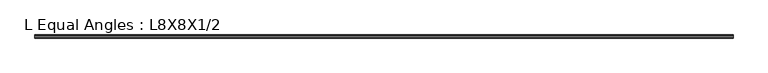
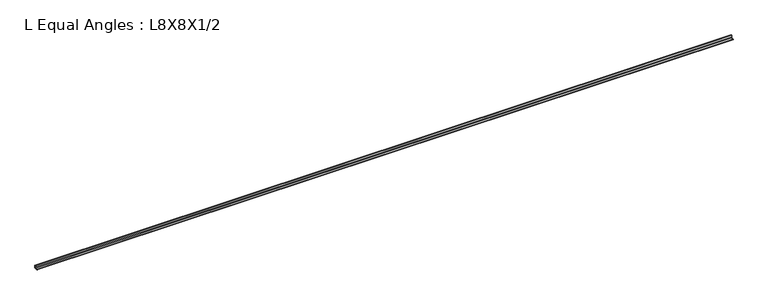
"""IFC4 building model written with IfcOpenShell, lengths in millimetres: beam geometry, L Equal Angles : L8X8X1/2."""

from ifc_helpers import new_model, si_unit, point, frame, frame_2d, origin, place, context, project, spatial, polyline, circle_curve, trimmed, segment, composite_curve, outline, extrude, source, transform, mapped, element, save


def l_equal_angles_l8x8x1_2_cfe22a51(model_context):
    return source(origin(), model_context, "Body", "SweptSolid", [
        extrude(outline(composite_curve([segment(polyline([(55.118, -55.118), (-21.082, -55.118), (-21.082, -48.768)]), True, "CONTINUOUS"), segment(trimmed(circle_curve(frame_2d((-14.732, -48.768)), 6.35), [point((-21.082, -48.768))], [point((-14.732, -42.418))], False, "CARTESIAN"), True, "CONTINUOUS"), segment(polyline([(-14.732, -42.418), (29.718, -42.418)]), True, "CONTINUOUS"), segment(trimmed(circle_curve(frame_2d((29.718, -29.718)), 12.7), [point((29.718, -42.418))], [point((42.418, -29.718))], True, "CARTESIAN"), True, "CONTINUOUS"), segment(polyline([(42.418, -29.718), (42.418, 14.732)]), True, "CONTINUOUS"), segment(trimmed(circle_curve(frame_2d((48.768, 14.732)), 6.35), [point((42.418, 14.732))], [point((48.768, 21.082))], False, "CARTESIAN"), True, "CONTINUOUS"), segment(polyline([(48.768, 21.082), (55.118, 21.082), (55.118, -55.118)]), True, "CONTINUOUS")], self_intersect=False)), frame((-8420.1, 0.0, 0.0), z_axis=(1.0, 0.0, 0.0), x_axis=(0.0, 1.0, 0.0)), (0.0, 0.0, 1.0), 16840.2),
    ])


if __name__ == "__main__":
    model = new_model("IFC4")
    model_context = context("Model", 3, world=origin())
    ifc_project = project(units=[si_unit("LENGTHUNIT", "METRE", prefix="MILLI")], contexts=[model_context])
    site = spatial("IfcSite", under=ifc_project)
    building = spatial("IfcBuilding", under=site)
    placement = place(None, origin())
    l_equal_angles_l8x8x1_2_shape = l_equal_angles_l8x8x1_2_cfe22a51(model_context)
    element("IfcBeam", 1, ObjectType="L Equal Angles : L8X8X1/2", at=placement, inside=building, context=model_context, shape_type="MappedRepresentation", body=[
        mapped(l_equal_angles_l8x8x1_2_shape, transform((0.0, 0.0, 0.0), x_axis=(1.0, 0.0, 0.0), y_axis=(0.0, 1.0, 0.0), z_axis=(0.0, 0.0, 1.0))),
    ])
    save(model, "model.ifc")
